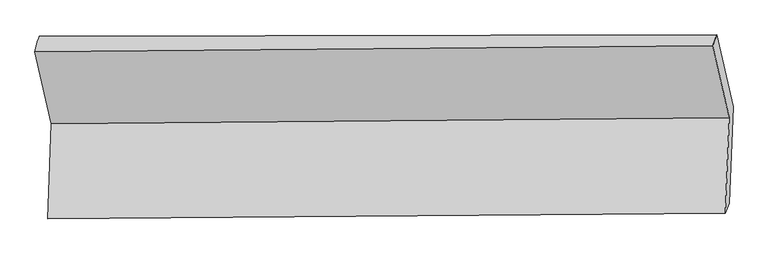
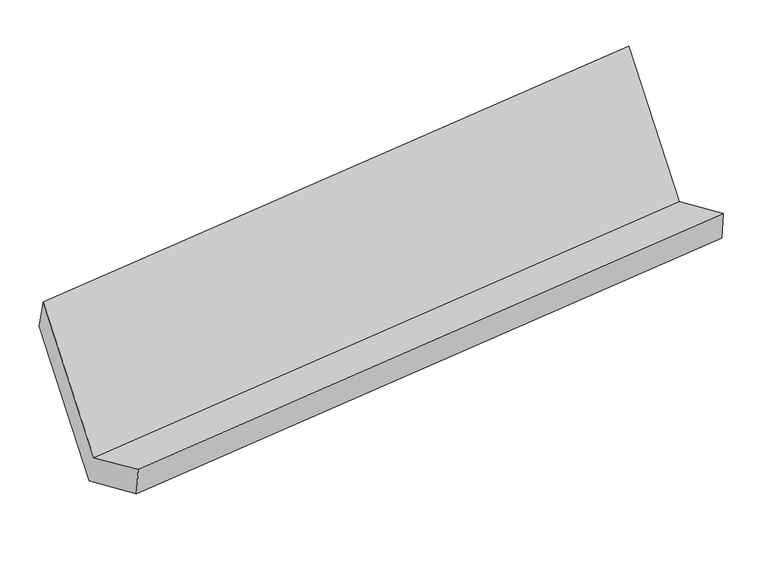
"""IFC4 building model written with IfcOpenShell, lengths in millimetres: proxy geometry."""

from ifc_helpers import new_model, si_unit, frame, origin, place, context, project, spatial, source, transform, mapped, element, save
from ifc_brep_helpers import plane_surface, spline_surface, advanced_brep


def generic_models_5c7e29a4(model_context):
    return source(origin(), model_context, "Body", "AdvancedBrep", [
        advanced_brep(
        [(-4361.3453093, -1203.4722484, 2225.683258), (-4290.4738432, -1511.4756358, 1576.8513875), (-1390.2294009, -1486.4347845, 1881.7561208), (-1460.4885488, -1178.4261103, 2530.6523648), (-4307.0908193, -1918.7204716, 1768.3572693), (-1406.846377, -1893.6796203, 2073.2620026), (-4290.6664693, -1876.3770662, 1608.6518287), (-1390.5298781, -1851.3371461, 1913.5452236), (-4273.3652535, -1442.2368669, 1408.4286497), (-1373.6906129, -1438.6445035, 1719.4775241), (-4343.719612, -1136.4807998, 2052.5263742), (-1443.785038, -1131.3579568, 2366.8524284)],
        [
            (0, 1),
            (1, 2),
            (2, 3),
            (3, 0),
            (1, 4),
            (4, 5),
            (5, 2),
            (4, 6),
            (6, 7),
            (7, 5),
            (6, 8),
            (8, 9),
            (9, 7),
            (8, 10),
            (10, 11),
            (11, 9),
            (10, 0),
            (3, 11),
        ],
        [
            plane_surface(frame((-4325.9095762, -1357.4739421, 1901.2673227), z_axis=(-0.036899383286592015, -0.9043211737111033, 0.42525480631127693), x_axis=(0.09735031494848581, -0.4267734858490683, -0.8991036135816971))),
            plane_surface(frame((-4298.7823313, -1715.0980537, 1672.6043284), z_axis=(-0.09819877215244296, 0.42676631584332625, 0.8990147456016877), x_axis=(-0.03689938328673447, -0.9043211737110846, 0.42525480631130463))),
            plane_surface(frame((-4298.8786443, -1897.5487689, 1688.504549), z_axis=(0.03492172667961092, -0.9668969459822587, -0.2527662336149662), x_axis=(0.09826976423462555, 0.25501702140239696, -0.9619300246027882))),
            spline_surface(1, 1, [[(-4290.6664693, -1876.3770662, 1608.6518287), (-1390.5298781, -1851.3371461, 1913.5452236)], [(-4273.3652535, -1442.2368669, 1408.4286497), (-1373.6906129, -1438.6445035, 1719.4775241)]], [2, 2], [2, 2], [0.0, 1.0], [0.0, 1.0]),
            spline_surface(1, 1, [[(-4273.3652535, -1442.2368669, 1408.4286497), (-1373.6906129, -1438.6445035, 1719.4775241)], [(-4343.719612, -1136.4807998, 2052.5263742), (-1443.785038, -1131.3579568, 2366.8524284)]], [2, 2], [2, 2], [0.0, 1.0], [0.0, 1.0]),
            spline_surface(1, 1, [[(-4343.719612, -1136.4807998, 2052.5263742), (-1443.785038, -1131.3579568, 2366.8524284)], [(-4361.3453093, -1203.4722484, 2225.683258), (-1460.4885488, -1178.4261103, 2530.6523648)]], [2, 2], [2, 2], [0.0, 1.0], [0.0, 1.0]),
            plane_surface(frame((-1410.9283093, -1496.6466869, 2080.9242774), z_axis=(0.9945659111856315, 0.008222320475914813, 0.10378362950622887), x_axis=(-0.09735031494848198, 0.42677348584915625, 0.8991036135816558))),
            plane_surface(frame((-4311.1102178, -1514.7938481, 1773.4164612), z_axis=(-0.9944824969102356, -0.008586410153370666, -0.10455064275202502), x_axis=(0.09450833654402212, 0.3592056681310887, -0.9284608027839302))),
        ],
        [
            (0, [[1, 2, 3, 4]]),
            (1, [[5, 6, 7, -2]]),
            (2, [[8, 9, 10, -6]]),
            (3, [[11, 12, 13, -9]]),
            (4, [[14, 15, 16, -12]]),
            (5, [[17, -4, 18, -15]]),
            (6, [[-16, -18, -3, -7, -10, -13]]),
            (7, [[-17, -14, -11, -8, -5, -1]]),
        ],
    ),
    ])


if __name__ == "__main__":
    model = new_model("IFC4")
    model_context = context("Model", 3, world=origin())
    ifc_project = project(units=[si_unit("LENGTHUNIT", "METRE", prefix="MILLI")], contexts=[model_context])
    site = spatial("IfcSite", under=ifc_project)
    building = spatial("IfcBuilding", under=site)
    placement = place(None, origin())
    generic_models_shape = generic_models_5c7e29a4(model_context)
    element("IfcBuildingElementProxy", 1, Name="Generic Models", at=placement, inside=building, context=model_context, shape_type="MappedRepresentation", body=[
        mapped(generic_models_shape, transform((0.0, 0.0, 0.0), x_axis=(1.0, 0.0, 0.0), y_axis=(0.0, 1.0, 0.0), z_axis=(0.0, 0.0, 1.0))),
    ])
    save(model, "model.ifc")
